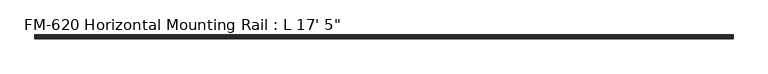
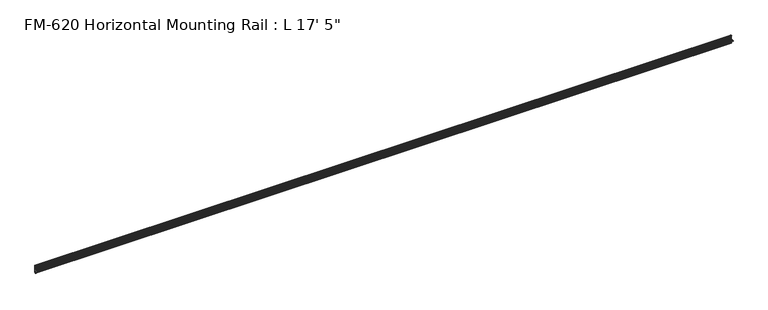
"""IFC4 building model written with IfcOpenShell, lengths in millimetres: proxy geometry."""

from ifc_helpers import new_model, si_unit, frame, origin, place, context, project, spatial, polyline, circle_curve, source, transform, mapped, element, save
from ifc_brep_helpers import plane_surface, cylinder_surface, revolved_surface, advanced_brep


def proxy_789271cc(model_context):
    return source(origin(), model_context, "Body", "AdvancedBrep", [
        advanced_brep(
        [(5308.6, 13.6400687, 32.1158903), (5308.6, 11.9462301, 30.7938136), (5308.6, 13.6400687, 26.2967369), (5308.6, 15.4364113, 25.7360779), (5308.6, 16.1779173, 26.4138515), (5308.6, 16.9376166, 27.3612928), (5308.6, 17.4625, 26.8535734), (5308.6, 17.4625, 15.6659614), (5308.6, 17.9716639, 14.7485418), (5308.6, 17.9716639, 13.408381), (5308.6, 17.4681023, 12.4909614), (5308.6, 17.4681023, 3.5082566), (5308.6, 15.5546988, 1.5948531), (5308.6, 5.2023289, 1.5948531), (5308.6, 2.0525552, 1.5948531), (5308.6, -2.484295, 1.5948531), (5308.6, -5.633895, 1.5948531), (5308.6, -9.5043031, 1.5948531), (5308.6, -9.5043031, 0.0), (5308.6, -5.633895, 0.0), (5308.6, -2.484295, 0.0), (5308.6, 2.0526969, 0.0), (5308.6, 5.2022969, 0.0), (5308.6, 15.5575, -0.0227595), (5308.6, 17.4625, -1.9277595), (5308.6, 17.4625, -10.9034614), (5308.6, 17.9716639, -11.820881), (5308.6, 17.9716639, -13.1610418), (5308.6, 17.4625, -14.0784614), (5308.6, 17.4625, -25.2660734), (5308.6, 16.9376166, -25.7737928), (5308.6, 16.1779173, -24.8263515), (5308.6, 15.4364113, -24.1485779), (5308.6, 13.6400687, -24.7092369), (5308.6, 11.9462301, -29.2063136), (5308.6, 13.6400687, -30.5283903), (5308.6, 15.4750158, -31.1010982), (5308.6, 16.1549378, -30.6811835), (5308.6, 16.1549378, -29.1395734), (5308.6, 17.7424378, -27.5520734), (5308.6, 19.05, -27.5520734), (5308.6, 19.05, 0.0), (5308.6, 19.05, 29.1395734), (5308.6, 17.7424378, 29.1395734), (5308.6, 16.1549378, 30.7270734), (5308.6, 16.1549378, 32.2686835), (5308.6, 15.4750158, 32.6885982), (0.0, 13.6400687, 32.1158903), (0.0, 15.4750158, 32.6885982), (0.0, 16.1549378, 32.2686835), (0.0, 16.1549378, 30.7270734), (0.0, 17.7424378, 29.1395734), (0.0, 19.05, 29.1395734), (0.0, 19.05, 0.0), (0.0, 19.05, -27.5520734), (0.0, 17.7424378, -27.5520734), (0.0, 16.1549378, -29.1395734), (0.0, 16.1549378, -30.6811835), (0.0, 15.4750158, -31.1010982), (0.0, 13.6400687, -30.5283903), (0.0, 11.9462301, -29.2063136), (0.0, 13.6400687, -24.7092369), (0.0, 15.4364113, -24.1485779), (0.0, 16.1779173, -24.8263515), (0.0, 16.9376166, -25.7737928), (0.0, 17.4625, -25.2660734), (0.0, 17.4625, -14.0784614), (0.0, 17.9716639, -13.1610418), (0.0, 17.9716639, -11.820881), (0.0, 17.4625, -10.9034614), (0.0, 17.4625, -1.9277595), (0.0, 15.5575, -0.0227595), (0.0, 5.2021324, -0.0227595), (0.0, 2.0526969, 0.0), (0.0, -2.484295, 0.0), (0.0, -5.633895, 0.0), (0.0, -9.5043031, 0.0), (0.0, -9.5043031, 1.5948531), (0.0, -5.633895, 1.5948531), (0.0, -2.484295, 1.5948531), (0.0, 2.0525552, 1.5948531), (0.0, 5.2023289, 1.5948531), (0.0, 15.5546988, 1.5948531), (0.0, 17.4681023, 3.5082566), (0.0, 17.4681023, 12.4909614), (0.0, 17.9716639, 13.408381), (0.0, 17.9716639, 14.7485418), (0.0, 17.4625, 15.6659614), (0.0, 17.4625, 26.8535734), (0.0, 16.9376166, 27.3612928), (0.0, 16.1779173, 26.4138515), (0.0, 15.4364113, 25.7360779), (0.0, 13.6400687, 26.2967369), (0.0, 11.9462301, 30.7938136)],
        [
            (0, 1, circle_curve(frame((5308.6, 14.5481808, 29.2063136), z_axis=(1.0, 0.0, 0.0), x_axis=(0.0, -1.0, 0.0)), 3.048)),
            (1, 2, circle_curve(frame((5308.6, 14.5481808, 29.2063136), z_axis=(1.0, 0.0, 0.0), x_axis=(0.0, -1.0, 0.0)), 3.048)),
            (2, 3),
            (3, 4, circle_curve(frame((5308.6, 15.6245238, 26.2747792), z_axis=(1.0, 0.0, 0.0), x_axis=(0.0, -1.0, 0.0)), 0.5706009)),
            (4, 5, circle_curve(frame((5308.6, 16.9169378, 26.5995734), z_axis=(-1.0, 0.0, 0.0), x_axis=(0.0, -1.0, 0.0)), 0.762)),
            (5, 6, circle_curve(frame((5308.6, 16.9545, 26.8535734), z_axis=(-1.0, 0.0, 0.0), x_axis=(0.0, -1.0, 0.0)), 0.508)),
            (6, 7),
            (7, 8),
            (8, 9),
            (9, 10),
            (10, 11),
            (11, 12, circle_curve(frame((5308.6, 15.5546988, 3.5082566), z_axis=(-1.0, 0.0, 0.0), x_axis=(0.0, -1.0, 0.0)), 1.9134035)),
            (12, 13),
            (13, 14, circle_curve(frame((5308.6, 3.627442, 1.5948531), z_axis=(1.0, 0.0, 0.0), x_axis=(0.0, -1.0, 0.0)), 1.5748869)),
            (14, 15),
            (15, 16, circle_curve(frame((5308.6, -4.059095, 1.5948531), z_axis=(1.0, 0.0, 0.0), x_axis=(0.0, -1.0, 0.0)), 1.5748)),
            (16, 17),
            (17, 18),
            (18, 19),
            (19, 20, circle_curve(frame((5308.6, -4.059095, 0.0), z_axis=(1.0, 0.0, 0.0), x_axis=(0.0, -1.0, 0.0)), 1.5748)),
            (20, 21),
            (21, 22, circle_curve(frame((5308.6, 3.6274969, 0.0), z_axis=(1.0, 0.0, 0.0), x_axis=(0.0, -1.0, 0.0)), 1.5748)),
            (22, 23),
            (23, 24, circle_curve(frame((5308.6, 15.5575, -1.9277595), z_axis=(-1.0, 0.0, 0.0), x_axis=(0.0, -1.0, 0.0)), 1.905)),
            (24, 25),
            (25, 26),
            (26, 27),
            (27, 28),
            (28, 29),
            (29, 30, circle_curve(frame((5308.6, 16.9545, -25.2660734), z_axis=(-1.0, 0.0, 0.0), x_axis=(0.0, -1.0, 0.0)), 0.508)),
            (30, 31, circle_curve(frame((5308.6, 16.9169378, -25.0120734), z_axis=(-1.0, 0.0, 0.0), x_axis=(0.0, -1.0, 0.0)), 0.762)),
            (31, 32, circle_curve(frame((5308.6, 15.6245238, -24.6872792), z_axis=(1.0, 0.0, 0.0), x_axis=(0.0, -1.0, 0.0)), 0.5706009)),
            (32, 33),
            (33, 34, circle_curve(frame((5308.6, 14.5481808, -27.6188136), z_axis=(1.0, 0.0, 0.0), x_axis=(0.0, -1.0, 0.0)), 3.048)),
            (34, 35, circle_curve(frame((5308.6, 14.5481808, -27.6188136), z_axis=(1.0, 0.0, 0.0), x_axis=(0.0, -1.0, 0.0)), 3.048)),
            (35, 36),
            (36, 37, circle_curve(frame((5308.6, 15.6853088, -30.6811835), z_axis=(1.0, 0.0, 0.0), x_axis=(0.0, -1.0, 0.0)), 0.4696291)),
            (37, 38),
            (38, 39, circle_curve(frame((5308.6, 17.7424378, -29.1395734), z_axis=(-1.0, 0.0, 0.0), x_axis=(0.0, -1.0, 0.0)), 1.5875)),
            (39, 40),
            (40, 41),
            (41, 42),
            (42, 43),
            (43, 44, circle_curve(frame((5308.6, 17.7424378, 30.7270734), z_axis=(-1.0, 0.0, 0.0), x_axis=(0.0, -1.0, 0.0)), 1.5875)),
            (44, 45),
            (45, 46, circle_curve(frame((5308.6, 15.6853088, 32.2686835), z_axis=(1.0, 0.0, 0.0), x_axis=(0.0, -1.0, 0.0)), 0.4696291)),
            (46, 0),
            (47, 48),
            (48, 49, circle_curve(frame((0.0, 15.6853088, 32.2686835), z_axis=(-1.0, 0.0, 0.0), x_axis=(0.0, -1.0, 0.0)), 0.4696291)),
            (49, 50),
            (50, 51, circle_curve(frame((0.0, 17.7424378, 30.7270734), z_axis=(1.0, 0.0, 0.0), x_axis=(0.0, -1.0, 0.0)), 1.5875)),
            (51, 52),
            (52, 53),
            (53, 54),
            (54, 55),
            (55, 56, circle_curve(frame((0.0, 17.7424378, -29.1395734), z_axis=(1.0, 0.0, 0.0), x_axis=(0.0, -1.0, 0.0)), 1.5875)),
            (56, 57),
            (57, 58, circle_curve(frame((0.0, 15.6853088, -30.6811835), z_axis=(-1.0, 0.0, 0.0), x_axis=(0.0, -1.0, 0.0)), 0.4696291)),
            (58, 59),
            (59, 60, circle_curve(frame((0.0, 14.5481808, -27.6188136), z_axis=(-1.0, 0.0, 0.0), x_axis=(0.0, -1.0, 0.0)), 3.048)),
            (60, 61, circle_curve(frame((0.0, 14.5481808, -27.6188136), z_axis=(-1.0, 0.0, 0.0), x_axis=(0.0, -1.0, 0.0)), 3.048)),
            (61, 62),
            (62, 63, circle_curve(frame((0.0, 15.6245238, -24.6872792), z_axis=(-1.0, 0.0, 0.0), x_axis=(0.0, -1.0, 0.0)), 0.5706009)),
            (63, 64, circle_curve(frame((0.0, 16.9169378, -25.0120734), z_axis=(1.0, 0.0, 0.0), x_axis=(0.0, -1.0, 0.0)), 0.762)),
            (64, 65, circle_curve(frame((0.0, 16.9545, -25.2660734), z_axis=(1.0, 0.0, 0.0), x_axis=(0.0, -1.0, 0.0)), 0.508)),
            (65, 66),
            (66, 67),
            (67, 68),
            (68, 69),
            (69, 70),
            (70, 71, circle_curve(frame((0.0, 15.5575, -1.9277595), z_axis=(1.0, 0.0, 0.0), x_axis=(0.0, -1.0, 0.0)), 1.905)),
            (71, 72),
            (72, 73, circle_curve(frame((0.0, 3.6274969, 0.0), z_axis=(-1.0, 0.0, 0.0), x_axis=(0.0, -1.0, 0.0)), 1.5748)),
            (73, 74),
            (74, 75, circle_curve(frame((0.0, -4.059095, 0.0), z_axis=(-1.0, 0.0, 0.0), x_axis=(0.0, -1.0, 0.0)), 1.5748)),
            (75, 76),
            (76, 77),
            (77, 78),
            (78, 79, circle_curve(frame((0.0, -4.059095, 1.5948531), z_axis=(-1.0, 0.0, 0.0), x_axis=(0.0, -1.0, 0.0)), 1.5748)),
            (79, 80),
            (80, 81, circle_curve(frame((0.0, 3.627442, 1.5948531), z_axis=(-1.0, 0.0, 0.0), x_axis=(0.0, -1.0, 0.0)), 1.5748869)),
            (81, 82),
            (82, 83, circle_curve(frame((0.0, 15.5546988, 3.5082566), z_axis=(1.0, 0.0, 0.0), x_axis=(0.0, -1.0, 0.0)), 1.9134035)),
            (83, 84),
            (84, 85),
            (85, 86),
            (86, 87),
            (87, 88),
            (88, 89, circle_curve(frame((0.0, 16.9545, 26.8535734), z_axis=(1.0, 0.0, 0.0), x_axis=(0.0, -1.0, 0.0)), 0.508)),
            (89, 90, circle_curve(frame((0.0, 16.9169378, 26.5995734), z_axis=(1.0, 0.0, 0.0), x_axis=(0.0, -1.0, 0.0)), 0.762)),
            (90, 91, circle_curve(frame((0.0, 15.6245238, 26.2747792), z_axis=(-1.0, 0.0, 0.0), x_axis=(0.0, -1.0, 0.0)), 0.5706009)),
            (91, 92),
            (92, 93, circle_curve(frame((0.0, 14.5481808, 29.2063136), z_axis=(-1.0, 0.0, 0.0), x_axis=(0.0, -1.0, 0.0)), 3.048)),
            (93, 47, circle_curve(frame((0.0, 14.5481808, 29.2063136), z_axis=(-1.0, 0.0, 0.0), x_axis=(0.0, -1.0, 0.0)), 3.048)),
            (47, 0),
            (46, 48),
            (45, 49),
            (44, 50),
            (43, 51),
            (42, 52),
            (41, 53),
            (82, 12),
            (11, 83),
            (10, 84),
            (9, 85),
            (8, 86),
            (7, 87),
            (6, 88),
            (5, 89),
            (4, 90),
            (3, 91),
            (2, 92),
            (1, 93),
            (79, 15),
            (14, 80),
            (40, 54),
            (39, 55),
            (38, 56),
            (37, 57),
            (36, 58),
            (35, 59),
            (34, 60),
            (33, 61),
            (32, 62),
            (31, 63),
            (30, 64),
            (29, 65),
            (28, 66),
            (27, 67),
            (26, 68),
            (25, 69),
            (24, 70),
            (23, 71),
            (22, 72),
            (73, 21),
            (20, 74),
            (81, 13),
            (19, 75),
            (18, 76),
            (17, 77),
            (16, 78),
        ],
        [
            plane_surface(frame((5308.6, 13.6400687, 32.1158903), z_axis=(1.0000000000000002, 0.0, 0.0), x_axis=(0.0, -0.9545855229405112, -0.29793703930929905))),
            plane_surface(frame((0.0, 13.6400687, 32.1158903), z_axis=(-1.0000000000000002, 0.0, 0.0), x_axis=(0.0, 0.9545855229405112, 0.29793703930929905))),
            plane_surface(frame((0.0, 13.6400687, 32.1158903), z_axis=(0.0, -0.29793703930929905, 0.9545855229405112), x_axis=(1.0, 0.0, 0.0))),
            cylinder_surface(frame((5308.6, 15.6853088, 32.2686835), z_axis=(-1.0, 0.0, 0.0), x_axis=(0.0, -1.0, 0.0)), 0.4696291),
            plane_surface(frame((0.0, 16.1549378, 32.2686835), z_axis=(0.0, 1.0, 0.0), x_axis=(1.0, 0.0, 0.0))),
            revolved_surface(polyline([(5308.6, 16.154937800000003, 30.7270734), (0.0, 16.154937800000003, 30.7270734)]), (5308.6, 17.7424378, 30.7270734), (1.0, 0.0, 0.0)),
            plane_surface(frame((0.0, 17.7424378, 29.1395734), z_axis=(0.0, 0.0, 1.0), x_axis=(1.0, 0.0, 0.0))),
            plane_surface(frame((0.0, 19.05, 29.1395734), z_axis=(0.0, 1.0, 0.0), x_axis=(1.0, 0.0, 0.0))),
            revolved_surface(polyline([(5308.6, 13.641295300000001, 3.5082566), (0.0, 13.641295300000001, 3.5082566)]), (5308.6, 15.5546988, 3.5082566), (1.0, 0.0, 0.0)),
            plane_surface(frame((0.0, 17.4681023, 3.5082566), z_axis=(0.0, -1.0, 0.0), x_axis=(1.0, 0.0, 0.0))),
            plane_surface(frame((0.0, 17.4681023, 12.4909614), z_axis=(0.0, -0.8766268538755736, 0.48117082108562426), x_axis=(1.0, 0.0, 0.0))),
            plane_surface(frame((0.0, 17.9716639, 13.408381), z_axis=(0.0, -1.0, 0.0), x_axis=(1.0, 0.0, 0.0))),
            plane_surface(frame((0.0, 17.9716639, 14.7485418), z_axis=(0.0, -0.8743650453416105, -0.4852687579937157), x_axis=(1.0, 0.0, 0.0))),
            plane_surface(frame((0.0, 17.4625, 15.6659614), z_axis=(0.0, -1.0, 0.0), x_axis=(1.0, 0.0, 0.0))),
            revolved_surface(polyline([(5308.6, 16.4465, 26.8535734), (0.0, 16.4465, 26.8535734)]), (5308.6, 16.9545, 26.8535734), (1.0, 0.0, 0.0)),
            revolved_surface(polyline([(5308.6, 16.1549378, 26.5995734), (0.0, 16.1549378, 26.5995734)]), (5308.6, 16.9169378, 26.5995734), (1.0, 0.0, 0.0)),
            cylinder_surface(frame((5308.6, 15.6245238, 26.2747792), z_axis=(-1.0, 0.0, 0.0), x_axis=(0.0, -1.0, 0.0)), 0.5706009),
            plane_surface(frame((0.0, 15.4364113, 25.7360779), z_axis=(0.0, -0.2979370393101009, -0.9545855229402609), x_axis=(1.0, 0.0, 0.0))),
            cylinder_surface(frame((5308.6, 14.5481808, 29.2063136), z_axis=(-1.0, 0.0, 0.0), x_axis=(0.0, -1.0, 0.0)), 3.048),
            plane_surface(frame((0.0, -2.484295, 1.5948531), z_axis=(0.0, 0.0, 1.0), x_axis=(1.0, 0.0, 0.0))),
            plane_surface(frame((0.0, 19.05, 0.0), z_axis=(0.0, 1.0, 0.0), x_axis=(1.0, 0.0, 0.0))),
            plane_surface(frame((0.0, 19.05, -27.5520734), z_axis=(0.0, 0.0, -1.0), x_axis=(1.0, 0.0, 0.0))),
            revolved_surface(polyline([(5308.6, 16.154937800000003, -29.1395734), (0.0, 16.154937800000003, -29.1395734)]), (5308.6, 17.7424378, -29.1395734), (1.0, 0.0, 0.0)),
            plane_surface(frame((0.0, 16.1549378, -29.1395734), z_axis=(0.0, 1.0, 0.0), x_axis=(1.0, 0.0, 0.0))),
            cylinder_surface(frame((5308.6, 15.6853088, -30.6811835), z_axis=(-1.0, 0.0, 0.0), x_axis=(0.0, -1.0, 0.0)), 0.4696291),
            plane_surface(frame((0.0, 15.4750158, -31.1010982), z_axis=(0.0, -0.2979370393090683, -0.9545855229405833), x_axis=(1.0, 0.0, 0.0))),
            cylinder_surface(frame((5308.6, 14.5481808, -27.6188136), z_axis=(-1.0, 0.0, 0.0), x_axis=(0.0, -1.0, 0.0)), 3.048),
            plane_surface(frame((0.0, 13.6400687, -24.7092369), z_axis=(0.0, -0.2979370393424987, 0.9545855229301492), x_axis=(1.0, 0.0, 0.0))),
            cylinder_surface(frame((5308.6, 15.6245238, -24.6872792), z_axis=(-1.0, 0.0, 0.0), x_axis=(0.0, -1.0, 0.0)), 0.5706009),
            revolved_surface(polyline([(5308.6, 16.1549378, -25.0120734), (0.0, 16.1549378, -25.0120734)]), (5308.6, 16.9169378, -25.0120734), (1.0, 0.0, 0.0)),
            revolved_surface(polyline([(5308.6, 16.4465, -25.2660734), (0.0, 16.4465, -25.2660734)]), (5308.6, 16.9545, -25.2660734), (1.0, 0.0, 0.0)),
            plane_surface(frame((0.0, 17.4625, -25.2660734), z_axis=(0.0, -1.0, 0.0), x_axis=(1.0, 0.0, 0.0))),
            plane_surface(frame((0.0, 17.4625, -14.0784614), z_axis=(0.0, -0.8743650443696134, 0.48526875974507594), x_axis=(1.0, 0.0, 0.0))),
            plane_surface(frame((0.0, 17.9716639, -13.1610418), z_axis=(0.0, -1.0, 0.0), x_axis=(1.0, 0.0, 0.0))),
            plane_surface(frame((0.0, 17.9716639, -11.820881), z_axis=(0.0, -0.8743650440122003, -0.48526876038906863), x_axis=(1.0, 0.0, 0.0))),
            plane_surface(frame((0.0, 17.4625, -10.9034614), z_axis=(0.0, -1.0, 0.0), x_axis=(1.0, 0.0, 0.0))),
            revolved_surface(polyline([(5308.6, 13.6525, -1.9277595), (0.0, 13.6525, -1.9277595)]), (5308.6, 15.5575, -1.9277595), (1.0, 0.0, 0.0)),
            plane_surface(frame((0.0, 15.5575, -0.0227595), z_axis=(0.0, 0.0, -1.0), x_axis=(1.0, 0.0, 0.0))),
            plane_surface(frame((0.0, 2.0526969, 0.0), z_axis=(0.0, 0.0, -1.0), x_axis=(1.0, 0.0, 0.0))),
            plane_surface(frame((0.0, 5.2023289, 1.5948531), z_axis=(0.0, 0.0, 1.0), x_axis=(1.0, 0.0, 0.0))),
            cylinder_surface(frame((5308.6, 3.6274969, 0.0), z_axis=(-1.0, 0.0, 0.0), x_axis=(0.0, -1.0, 0.0)), 1.5748),
            cylinder_surface(frame((5308.6, -4.059095, 0.0), z_axis=(-1.0, 0.0, 0.0), x_axis=(0.0, -1.0, 0.0)), 1.5748),
            plane_surface(frame((0.0, -5.633895, 0.0), z_axis=(0.0, 0.0, -1.0), x_axis=(1.0, 0.0, 0.0))),
            plane_surface(frame((0.0, -9.5043031, 0.0), z_axis=(0.0, -1.0, 0.0), x_axis=(1.0, 0.0, 0.0))),
            plane_surface(frame((0.0, -9.5043031, 1.5948531), z_axis=(0.0, 0.0, 1.0), x_axis=(1.0, 0.0, 0.0))),
            cylinder_surface(frame((5308.6, -4.059095, 1.5948531), z_axis=(-1.0, 0.0, 0.0), x_axis=(0.0, -1.0, 0.0)), 1.5748),
            cylinder_surface(frame((5308.6, 3.627442, 1.5948531), z_axis=(-1.0, 0.0, 0.0), x_axis=(0.0, -1.0, 0.0)), 1.5748869),
        ],
        [
            (0, [[1, 2, 3, 4, 5, 6, 7, 8, 9, 10, 11, 12, 13, 14, 15, 16, 17, 18, 19, 20, 21, 22, 23, 24, 25, 26, 27, 28, 29, 30, 31, 32, 33, 34, 35, 36, 37, 38, 39, 40, 41, 42, 43, 44, 45, 46, 47]]),
            (1, [[48, 49, 50, 51, 52, 53, 54, 55, 56, 57, 58, 59, 60, 61, 62, 63, 64, 65, 66, 67, 68, 69, 70, 71, 72, 73, 74, 75, 76, 77, 78, 79, 80, 81, 82, 83, 84, 85, 86, 87, 88, 89, 90, 91, 92, 93, 94]]),
            (2, [[-48, 95, -47, 96]]),
            (3, [[-49, -96, -46, 97]]),
            (4, [[-50, -97, -45, 98]]),
            (5, [[-51, -98, -44, 99]]),
            (6, [[-52, -99, -43, 100]]),
            (7, [[-53, -100, -42, 101]]),
            (8, [[-83, 102, -12, 103]]),
            (9, [[-84, -103, -11, 104]]),
            (10, [[-85, -104, -10, 105]]),
            (11, [[-86, -105, -9, 106]]),
            (12, [[-87, -106, -8, 107]]),
            (13, [[-88, -107, -7, 108]]),
            (14, [[-89, -108, -6, 109]]),
            (15, [[-90, -109, -5, 110]]),
            (16, [[-91, -110, -4, 111]]),
            (17, [[-92, -111, -3, 112]]),
            (18, [[-93, -112, -2, 113]]),
            (18, [[-94, -113, -1, -95]]),
            (19, [[-80, 114, -15, 115]]),
            (20, [[-54, -101, -41, 116]]),
            (21, [[-55, -116, -40, 117]]),
            (22, [[-56, -117, -39, 118]]),
            (23, [[-57, -118, -38, 119]]),
            (24, [[-58, -119, -37, 120]]),
            (25, [[-59, -120, -36, 121]]),
            (26, [[-60, -121, -35, 122]]),
            (26, [[-61, -122, -34, 123]]),
            (27, [[-62, -123, -33, 124]]),
            (28, [[-63, -124, -32, 125]]),
            (29, [[-64, -125, -31, 126]]),
            (30, [[-65, -126, -30, 127]]),
            (31, [[-66, -127, -29, 128]]),
            (32, [[-67, -128, -28, 129]]),
            (33, [[-68, -129, -27, 130]]),
            (34, [[-69, -130, -26, 131]]),
            (35, [[-70, -131, -25, 132]]),
            (36, [[-71, -132, -24, 133]]),
            (37, [[-72, -133, -23, 134]]),
            (38, [[-74, 135, -21, 136]]),
            (39, [[-82, 137, -13, -102]]),
            (40, [[-73, -134, -22, -135]]),
            (41, [[-75, -136, -20, 138]]),
            (42, [[-76, -138, -19, 139]]),
            (43, [[-77, -139, -18, 140]]),
            (44, [[-78, -140, -17, 141]]),
            (45, [[-79, -141, -16, -114]]),
            (46, [[-81, -115, -14, -137]]),
        ],
    ),
    ])


if __name__ == "__main__":
    model = new_model("IFC4")
    model_context = context("Model", 3, world=origin())
    ifc_project = project(units=[si_unit("LENGTHUNIT", "METRE", prefix="MILLI")], contexts=[model_context])
    site = spatial("IfcSite", under=ifc_project)
    building = spatial("IfcBuilding", under=site)
    placement = place(None, origin())
    proxy_shape = proxy_789271cc(model_context)
    element("IfcBuildingElementProxy", 1, Name="FM-620 Horizontal Mounting Rail : L 17' 5\"", ObjectType="FM-620 Horizontal Mounting Rail : L 17' 5\"", at=placement, inside=building, context=model_context, shape_type="MappedRepresentation", body=[
        mapped(proxy_shape, transform((0.0, 0.0, 0.0), x_axis=(1.0, 0.0, 0.0), y_axis=(0.0, 1.0, 0.0), z_axis=(0.0, 0.0, 1.0))),
    ])
    save(model, "model.ifc")
